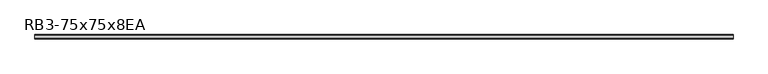
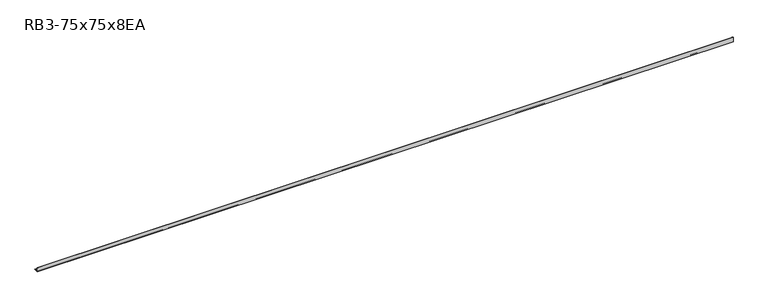
"""IFC4 building model written with IfcOpenShell, lengths in millimetres: member geometry, RB3-75x75x8EA."""

from ifc_helpers import new_model, si_unit, point, frame, frame_2d, origin, place, context, project, spatial, polyline, circle_curve, trimmed, segment, composite_curve, outline, extrude, source, transform, mapped, element, save


def rb3_75x75x8ea_aa4f8ac3(model_context):
    return source(origin(), model_context, "Body", "SweptSolid", [
        extrude(outline(composite_curve([segment(polyline([(-21.3, -21.3), (-21.3, 53.7), (-18.3, 53.7)]), True, "CONTINUOUS"), segment(trimmed(circle_curve(frame_2d((-18.3, 48.7)), 5.0), [point((-18.3, 53.7))], [point((-13.3, 48.7))], False, "CARTESIAN"), True, "CONTINUOUS"), segment(polyline([(-13.3, 48.7), (-13.3, -5.3)]), True, "CONTINUOUS"), segment(trimmed(circle_curve(frame_2d((-5.3, -5.3)), 8.0), [point((-13.3, -5.3))], [point((-5.3, -13.3))], True, "CARTESIAN"), True, "CONTINUOUS"), segment(polyline([(-5.3, -13.3), (48.7, -13.3)]), True, "CONTINUOUS"), segment(trimmed(circle_curve(frame_2d((48.7, -18.3)), 5.0), [point((48.7, -13.3))], [point((53.7, -18.3))], False, "CARTESIAN"), True, "CONTINUOUS"), segment(polyline([(53.7, -18.3), (53.7, -21.3), (-21.3, -21.3)]), True, "CONTINUOUS")], self_intersect=False)), frame((-5925.9296643, 0.0, 0.0), z_axis=(1.0, 0.0, 0.0), x_axis=(0.0, 1.0, 0.0)), (0.0, 0.0, 1.0), 11887.7308944),
    ])


if __name__ == "__main__":
    model = new_model("IFC4")
    model_context = context("Model", 3, world=origin())
    ifc_project = project(units=[si_unit("LENGTHUNIT", "METRE", prefix="MILLI")], contexts=[model_context])
    site = spatial("IfcSite", under=ifc_project)
    building = spatial("IfcBuilding", under=site)
    placement = place(None, origin())
    rb3_75x75x8ea_shape = rb3_75x75x8ea_aa4f8ac3(model_context)
    element("IfcMember", 1, ObjectType="RB3-75x75x8EA", at=placement, inside=building, context=model_context, shape_type="MappedRepresentation", body=[
        mapped(rb3_75x75x8ea_shape, transform((0.0, 0.0, 0.0), x_axis=(1.0, 0.0, 0.0), y_axis=(0.0, 1.0, 0.0), z_axis=(0.0, 0.0, 1.0))),
    ])
    save(model, "model.ifc")
